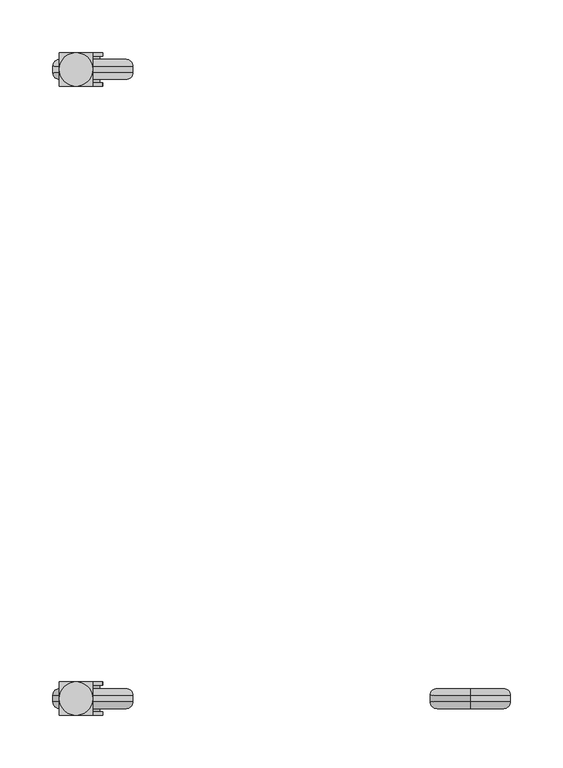
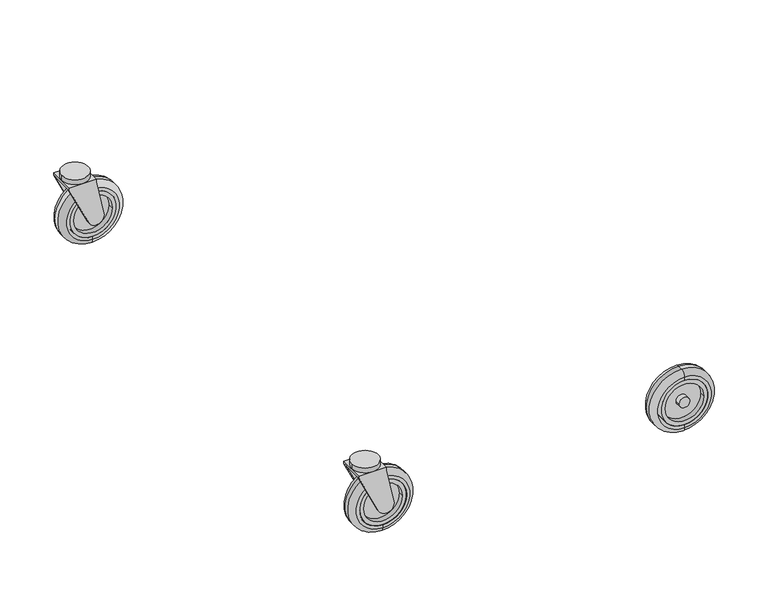
"""IFC4 building model written with IfcOpenShell, lengths in millimetres: proxy geometry."""

from ifc_helpers import new_model, si_unit, point, frame, frame_2d, origin, place, context, project, spatial, polyline, circle_curve, ellipse_curve, trimmed, segment, composite_curve, outline, extrude, source, transform, mapped, element, save
from ifc_brep_helpers import plane_surface, cylinder_surface, revolved_surface, advanced_brep


def specialty_equipment_8198a665(model_context):
    return source(origin(), model_context, "Body", "SolidModel", [
        advanced_brep(
        [(-281.9234069, -608.965, 6.35), (-281.9234069, -608.965, 69.85), (-281.9234069, -615.315, 76.2), (-281.9234069, -615.315, 0.0), (-281.9234069, -608.965, 10.16), (-281.9234069, -608.965, 66.04), (-281.9234069, -628.015, 10.16), (-281.9234069, -628.015, 66.04), (-281.9234069, -628.015, 6.35), (-281.9234069, -628.015, 69.85), (-281.9234069, -621.665, 0.0), (-281.9234069, -621.665, 76.2)],
        [
            (0, 1, circle_curve(frame((-281.9234069, -608.965, 38.1), z_axis=(0.0, -1.0, 0.0), x_axis=(0.0, 0.0, 1.0)), 31.75)),
            (1, 2, circle_curve(frame((-281.9234069, -615.315, 69.85), z_axis=(1.0, 0.0, 0.0), x_axis=(0.0, -1.0, 0.0)), 6.35)),
            (2, 3, circle_curve(frame((-281.9234069, -615.315, 38.1), z_axis=(0.0, 1.0, 0.0), x_axis=(0.0, 0.0, 1.0)), 38.1)),
            (3, 0, circle_curve(frame((-281.9234069, -615.315, 6.35), z_axis=(1.0, 0.0, 0.0), x_axis=(0.0, -1.0, 0.0)), 6.35)),
            (1, 0, circle_curve(frame((-281.9234069, -608.965, 38.1), z_axis=(0.0, -1.0, 0.0), x_axis=(0.0, 0.0, 1.0)), 31.75)),
            (3, 2, circle_curve(frame((-281.9234069, -615.315, 38.1), z_axis=(0.0, 1.0, 0.0), x_axis=(0.0, 0.0, 1.0)), 38.1)),
            (4, 5, circle_curve(frame((-281.9234069, -608.965, 38.1), z_axis=(0.0, -1.0, 0.0), x_axis=(0.0, 0.0, 1.0)), 27.94)),
            (5, 1),
            (0, 4),
            (5, 4, circle_curve(frame((-281.9234069, -608.965, 38.1), z_axis=(0.0, -1.0, 0.0), x_axis=(0.0, 0.0, 1.0)), 27.94)),
            (6, 7, circle_curve(frame((-281.9234069, -628.015, 38.1), z_axis=(0.0, -1.0, 0.0), x_axis=(0.0, 0.0, 1.0)), 27.94)),
            (7, 5),
            (4, 6),
            (7, 6, circle_curve(frame((-281.9234069, -628.015, 38.1), z_axis=(0.0, -1.0, 0.0), x_axis=(0.0, 0.0, 1.0)), 27.94)),
            (8, 9, circle_curve(frame((-281.9234069, -628.015, 38.1), z_axis=(0.0, -1.0, 0.0), x_axis=(0.0, 0.0, 1.0)), 31.75)),
            (9, 7),
            (6, 8),
            (9, 8, circle_curve(frame((-281.9234069, -628.015, 38.1), z_axis=(0.0, -1.0, 0.0), x_axis=(0.0, 0.0, 1.0)), 31.75)),
            (10, 11, circle_curve(frame((-281.9234069, -621.665, 38.1), z_axis=(0.0, -1.0, 0.0), x_axis=(0.0, 0.0, 1.0)), 38.1)),
            (11, 9, circle_curve(frame((-281.9234069, -621.665, 69.85), z_axis=(1.0, 0.0, 0.0), x_axis=(0.0, -1.0, 0.0)), 6.35)),
            (8, 10, circle_curve(frame((-281.9234069, -621.665, 6.35), z_axis=(1.0, 0.0, 0.0), x_axis=(0.0, -1.0, 0.0)), 6.35)),
            (11, 10, circle_curve(frame((-281.9234069, -621.665, 38.1), z_axis=(0.0, -1.0, 0.0), x_axis=(0.0, 0.0, 1.0)), 38.1)),
            (2, 11),
            (10, 3),
        ],
        [
            revolved_surface(trimmed(ellipse_curve(frame((-281.9234069, -615.315, 69.85), z_axis=(-1.0, 0.0, 0.0), x_axis=(0.0, -1.0, 0.0)), 6.35, 6.35), [point((-281.9234069, -615.315, 76.2))], [point((-281.9234069, -608.965, 69.85))], True, "CARTESIAN"), (-281.9234069, -596.265, 38.1), (0.0, 1.0, 0.0)),
            plane_surface(frame((-281.9234069, -608.965, 38.1), z_axis=(0.0, 1.0, 0.0), x_axis=(0.0, 0.0, 1.0))),
            revolved_surface(polyline([(-281.9234069, -608.965, 66.04), (-281.9234069, -628.015, 66.04)]), (-281.9234069, -596.265, 38.1), (0.0, 1.0, 0.0)),
            plane_surface(frame((-281.9234069, -628.015, 38.1), z_axis=(0.0, -1.0, 0.0), x_axis=(0.0, 0.0, 1.0))),
            revolved_surface(trimmed(ellipse_curve(frame((-281.9234069, -621.665, 69.85), z_axis=(-1.0, 0.0, 0.0), x_axis=(0.0, -1.0, 0.0)), 6.35, 6.35), [point((-281.9234069, -628.015, 69.85))], [point((-281.9234069, -621.665, 76.2))], True, "CARTESIAN"), (-281.9234069, -596.265, 38.1), (0.0, 1.0, 0.0)),
            cylinder_surface(frame((-281.9234069, -596.265, 38.1), z_axis=(0.0, 1.0, 0.0), x_axis=(0.0, 0.0, 1.0)), 38.1),
        ],
        [
            (0, [[1, 2, 3, 4]]),
            (0, [[5, -4, 6, -2]]),
            (1, [[7, 8, -1, 9]]),
            (1, [[10, -9, -5, -8]]),
            (2, [[11, 12, -7, 13]]),
            (2, [[14, -13, -10, -12]]),
            (3, [[15, 16, -11, 17]]),
            (3, [[18, -17, -14, -16]]),
            (4, [[19, 20, -15, 21]]),
            (4, [[22, -21, -18, -20]]),
            (5, [[-3, 23, -19, 24]]),
            (5, [[-6, -24, -22, -23]]),
        ],
    ),
        advanced_brep(
        [(-253.9834069, -608.965, 38.1), (-309.8634069, -608.965, 38.1), (-259.0634069, -608.965, 38.1), (-304.7834069, -608.965, 38.1), (-275.5734069, -608.965, 38.1), (-288.2734069, -608.965, 38.1), (-253.9834069, -615.315, 38.1), (-309.8634069, -615.315, 38.1), (-275.5734069, -615.315, 38.1), (-288.2734069, -615.315, 38.1), (-259.0634069, -615.315, 38.1), (-304.7834069, -615.315, 38.1), (-304.7834069, -621.665, 38.1), (-259.0634069, -621.665, 38.1), (-288.2734069, -621.665, 38.1), (-275.5734069, -621.665, 38.1), (-253.9834069, -621.665, 38.1), (-309.8634069, -621.665, 38.1), (-253.9834069, -628.015, 38.1), (-309.8634069, -628.015, 38.1), (-259.0634069, -628.015, 38.1), (-304.7834069, -628.015, 38.1), (-275.5734069, -628.015, 38.1), (-288.2734069, -628.015, 38.1)],
        [
            (0, 1, circle_curve(frame((-281.9234069, -608.965, 38.1), z_axis=(3.5155076160086276e-12, 1.0, 0.0), x_axis=(-1.0, 3.5155076160086276e-12, 0.0)), 27.94)),
            (1, 0, circle_curve(frame((-281.9234069, -608.965, 38.1), z_axis=(3.5155076160086276e-12, 1.0, 0.0), x_axis=(-1.0, 3.5155076160086276e-12, 0.0)), 27.94)),
            (2, 3, circle_curve(frame((-281.9234069, -608.965, 38.1), z_axis=(-3.5155076160086276e-12, -1.0, 0.0), x_axis=(-1.0, 3.5155076160086276e-12, 0.0)), 22.86)),
            (3, 2, circle_curve(frame((-281.9234069, -608.965, 38.1), z_axis=(-3.5155076160086276e-12, -1.0, 0.0), x_axis=(-1.0, 3.5155076160086276e-12, 0.0)), 22.86)),
            (4, 5, circle_curve(frame((-281.9234069, -608.965, 38.1), z_axis=(3.5155076160086276e-12, 1.0, 0.0), x_axis=(-1.0, 3.5155076160086276e-12, 0.0)), 6.35)),
            (5, 4, circle_curve(frame((-281.9234069, -608.965, 38.1), z_axis=(3.5155076160086276e-12, 1.0, 0.0), x_axis=(-1.0, 3.5155076160086276e-12, 0.0)), 6.35)),
            (0, 6),
            (6, 7, circle_curve(frame((-281.9234069, -615.315, 38.1), z_axis=(3.5155076160086276e-12, 1.0, 0.0), x_axis=(-1.0, 3.5155076160086276e-12, 0.0)), 27.94)),
            (7, 1),
            (7, 6, circle_curve(frame((-281.9234069, -615.315, 38.1), z_axis=(3.5155076160086276e-12, 1.0, 0.0), x_axis=(-1.0, 3.5155076160086276e-12, 0.0)), 27.94)),
            (4, 8),
            (8, 9, circle_curve(frame((-281.9234069, -615.315, 38.1), z_axis=(3.5155076160086276e-12, 1.0, 0.0), x_axis=(-1.0, 3.5155076160086276e-12, 0.0)), 6.35)),
            (9, 5),
            (9, 8, circle_curve(frame((-281.9234069, -615.315, 38.1), z_axis=(3.5155076160086276e-12, 1.0, 0.0), x_axis=(-1.0, 3.5155076160086276e-12, 0.0)), 6.35)),
            (2, 10),
            (10, 11, circle_curve(frame((-281.9234069, -615.315, 38.1), z_axis=(-3.5155076160086276e-12, -1.0, 0.0), x_axis=(-1.0, 3.5155076160086276e-12, 0.0)), 22.86)),
            (11, 3),
            (11, 10, circle_curve(frame((-281.9234069, -615.315, 38.1), z_axis=(-3.5155076160086276e-12, -1.0, 0.0), x_axis=(-1.0, 3.5155076160086276e-12, 0.0)), 22.86)),
            (12, 13, circle_curve(frame((-281.9234069, -621.665, 38.1), z_axis=(-3.5155076160086276e-12, -1.0, 0.0), x_axis=(-1.0, 3.5155076160086276e-12, 0.0)), 22.86)),
            (13, 12, circle_curve(frame((-281.9234069, -621.665, 38.1), z_axis=(-3.5155076160086276e-12, -1.0, 0.0), x_axis=(-1.0, 3.5155076160086276e-12, 0.0)), 22.86)),
            (14, 15, circle_curve(frame((-281.9234069, -621.665, 38.1), z_axis=(3.5155076160086276e-12, 1.0, 0.0), x_axis=(-1.0, 3.5155076160086276e-12, 0.0)), 6.35)),
            (15, 14, circle_curve(frame((-281.9234069, -621.665, 38.1), z_axis=(3.5155076160086276e-12, 1.0, 0.0), x_axis=(-1.0, 3.5155076160086276e-12, 0.0)), 6.35)),
            (6, 16),
            (16, 17, circle_curve(frame((-281.9234069, -621.665, 38.1), z_axis=(3.5155076160086276e-12, 1.0, 0.0), x_axis=(-1.0, 3.5155076160086276e-12, 0.0)), 27.94)),
            (17, 7),
            (17, 16, circle_curve(frame((-281.9234069, -621.665, 38.1), z_axis=(3.5155076160086276e-12, 1.0, 0.0), x_axis=(-1.0, 3.5155076160086276e-12, 0.0)), 27.94)),
            (18, 19, circle_curve(frame((-281.9234069, -628.015, 38.1), z_axis=(-3.5155076160086276e-12, -1.0, 0.0), x_axis=(-1.0, 3.5155076160086276e-12, 0.0)), 27.94)),
            (19, 18, circle_curve(frame((-281.9234069, -628.015, 38.1), z_axis=(-3.5155076160086276e-12, -1.0, 0.0), x_axis=(-1.0, 3.5155076160086276e-12, 0.0)), 27.94)),
            (20, 21, circle_curve(frame((-281.9234069, -628.015, 38.1), z_axis=(3.5155076160086276e-12, 1.0, 0.0), x_axis=(-1.0, 3.5155076160086276e-12, 0.0)), 22.86)),
            (21, 20, circle_curve(frame((-281.9234069, -628.015, 38.1), z_axis=(3.5155076160086276e-12, 1.0, 0.0), x_axis=(-1.0, 3.5155076160086276e-12, 0.0)), 22.86)),
            (22, 23, circle_curve(frame((-281.9234069, -628.015, 38.1), z_axis=(-3.5155076160086276e-12, -1.0, 0.0), x_axis=(-1.0, 3.5155076160086276e-12, 0.0)), 6.35)),
            (23, 22, circle_curve(frame((-281.9234069, -628.015, 38.1), z_axis=(-3.5155076160086276e-12, -1.0, 0.0), x_axis=(-1.0, 3.5155076160086276e-12, 0.0)), 6.35)),
            (18, 16),
            (17, 19),
            (22, 15),
            (14, 23),
            (20, 13),
            (12, 21),
        ],
        [
            plane_surface(frame((-309.8634069, -608.965, 38.1), z_axis=(3.5155076160086276e-12, 1.0, 0.0), x_axis=(0.0, 0.0, 1.0))),
            cylinder_surface(frame((-281.9234069, -615.315, 38.1), z_axis=(3.5155076160086276e-12, 1.0, 0.0), x_axis=(-1.0, 3.5155076160086276e-12, 0.0)), 27.94),
            cylinder_surface(frame((-281.9234069, -618.49, 38.1), z_axis=(3.5155076160086276e-12, 1.0, 0.0), x_axis=(-1.0, 3.5155076160086276e-12, 0.0)), 6.35),
            revolved_surface(polyline([(-304.78340689998885, -615.315, 38.1), (-304.7834068999665, -608.9649999998393, 38.1)]), (-281.9234069, -618.49, 38.1), (-3.5155076160086276e-12, -1.0, 0.0)),
            plane_surface(frame((-309.8634069, -615.315, 38.1), z_axis=(3.5155076160086276e-12, 1.0, 0.0), x_axis=(0.0, 0.0, 1.0))),
            plane_surface(frame((-309.8634069, -621.665, 38.1), z_axis=(-3.5155076160086276e-12, -1.0, 0.0), x_axis=(0.0, 0.0, -1.0))),
            cylinder_surface(frame((-281.9234069, -621.665, 38.1), z_axis=(3.5155076160086276e-12, 1.0, 0.0), x_axis=(-1.0, 3.5155076160086276e-12, 0.0)), 27.94),
            plane_surface(frame((-309.8634069, -628.015, 38.1), z_axis=(-3.5155076160086276e-12, -1.0, 0.0), x_axis=(0.0, 0.0, -1.0))),
            cylinder_surface(frame((-281.9234069, -621.665, 38.1), z_axis=(-3.5155076160086276e-12, -1.0, 0.0), x_axis=(-1.0, 3.5155076160086276e-12, 0.0)), 27.94),
            cylinder_surface(frame((-281.9234069, -618.49, 38.1), z_axis=(-3.5155076160086276e-12, -1.0, 0.0), x_axis=(-1.0, 3.5155076160086276e-12, 0.0)), 6.35),
            revolved_surface(polyline([(-304.78340690001113, -621.6649999998392, 38.1), (-304.78340690003347, -628.015, 38.1)]), (-281.9234069, -618.49, 38.1), (3.5155076160086276e-12, 1.0, 0.0)),
        ],
        [
            (0, [[1, 2], [3, 4]]),
            (0, [[5, 6]]),
            (1, [[-1, 7, 8, 9]]),
            (1, [[-2, -9, 10, -7]]),
            (2, [[-5, 11, 12, 13]]),
            (2, [[-6, -13, 14, -11]]),
            (3, [[-3, 15, 16, 17]]),
            (3, [[-4, -17, 18, -15]]),
            (4, [[-16, -18], [-12, -14]]),
            (5, [[19, 20], [21, 22]]),
            (6, [[23, 24, 25, -8]]),
            (6, [[-23, -10, -25, 26]]),
            (7, [[27, 28], [29, 30]]),
            (7, [[31, 32]]),
            (8, [[-27, 33, -26, 34]]),
            (8, [[-28, -34, -24, -33]]),
            (9, [[-31, 35, -21, 36]]),
            (9, [[-32, -36, -22, -35]]),
            (10, [[-29, 37, -19, 38]]),
            (10, [[-30, -38, -20, -37]]),
        ],
    ),
        advanced_brep(
        [(-272.6196629, -634.365, 40.1410714), (-281.9234069, -634.365, 82.55), (-281.9234069, -634.365, 85.725), (-313.6734069, -634.365, 85.725), (-313.6734069, -634.365, 82.55), (-290.520847, -634.365, 34.0000428), (-272.6196629, -631.19, 40.1410714), (-290.520847, -631.19, 34.0000428), (-313.6734069, -631.19, 82.55), (-281.9234069, -631.19, 82.55), (-288.2734069, -631.19, 38.1), (-275.5734069, -631.19, 38.1), (-275.5734069, -605.79, 38.1), (-288.2734069, -605.79, 38.1), (-272.6196629, -602.615, 40.1410714), (-290.520847, -602.615, 34.0000428), (-313.6734069, -602.615, 82.55), (-313.6734069, -602.615, 85.725), (-281.9234069, -602.615, 85.725), (-281.9234069, -602.615, 82.55), (-272.6196629, -605.79, 40.1410714), (-281.9234069, -605.79, 82.55), (-313.6734069, -605.79, 82.55), (-290.520847, -605.79, 34.0000428)],
        [
            (0, 1),
            (1, 2),
            (2, 3),
            (3, 4),
            (4, 5),
            (5, 0, circle_curve(frame((-281.9234069, -634.365, 38.1), z_axis=(-3.5155076160086276e-12, -1.0, 0.0), x_axis=(-1.0, 3.5155076160086276e-12, 0.0)), 9.525)),
            (6, 7, circle_curve(frame((-281.9234069, -631.19, 38.1), z_axis=(3.5155076160086276e-12, 1.0, 0.0), x_axis=(-1.0, 3.5155076160086276e-12, 0.0)), 9.525)),
            (7, 8),
            (8, 9),
            (9, 6),
            (10, 11, circle_curve(frame((-281.9234069, -631.19, 38.1), z_axis=(-3.5155076160086276e-12, -1.0, 0.0), x_axis=(-1.0, 3.5155076160086276e-12, 0.0)), 6.35)),
            (11, 10, circle_curve(frame((-281.9234069, -631.19, 38.1), z_axis=(-3.5155076160086276e-12, -1.0, 0.0), x_axis=(-1.0, 3.5155076160086276e-12, 0.0)), 6.35)),
            (0, 6),
            (9, 1),
            (4, 8),
            (7, 5),
            (12, 11),
            (10, 13),
            (13, 12, circle_curve(frame((-281.9234069, -605.79, 38.1), z_axis=(-3.5155076160086276e-12, -1.0, 0.0), x_axis=(-1.0, 3.5155076160086276e-12, 0.0)), 6.35)),
            (12, 13, circle_curve(frame((-281.9234069, -605.79, 38.1), z_axis=(-3.5155076160086276e-12, -1.0, 0.0), x_axis=(-1.0, 3.5155076160086276e-12, 0.0)), 6.35)),
            (14, 15, circle_curve(frame((-281.9234069, -602.615, 38.1), z_axis=(3.5155076160086276e-12, 1.0, 0.0), x_axis=(-1.0, 3.5155076160086276e-12, 0.0)), 9.525)),
            (15, 16),
            (16, 17),
            (17, 18),
            (18, 19),
            (19, 14),
            (20, 21),
            (21, 22),
            (22, 23),
            (23, 20, circle_curve(frame((-281.9234069, -605.79, 38.1), z_axis=(-3.5155076160086276e-12, -1.0, 0.0), x_axis=(-1.0, 3.5155076160086276e-12, 0.0)), 9.525)),
            (14, 20),
            (23, 15),
            (22, 16),
            (19, 21),
            (2, 18),
            (17, 3),
            (21, 9),
            (8, 22),
        ],
        [
            plane_surface(frame((-281.9234069, -634.365, 82.55), z_axis=(-3.5155076160086276e-12, -1.0, 0.0), x_axis=(-0.21428571428571286, 0.0, 0.9767710236555248))),
            plane_surface(frame((-281.9234069, -631.19, 82.55), z_axis=(3.5155076160086276e-12, 1.0, 0.0), x_axis=(0.21428571428571286, 0.0, -0.9767710236555248))),
            plane_surface(frame((-272.6196629, -634.365, 40.1410714), z_axis=(0.9767710236555248, -3.433954416125565e-12, 0.21428571428571286), x_axis=(3.5156186383110893e-12, 1.0, 0.0))),
            plane_surface(frame((-313.6734069, -634.365, 82.55), z_axis=(-0.9026183812343395, 3.1732620043496284e-12, -0.4304417008816649), x_axis=(3.5156186383110893e-12, 1.0, 0.0))),
            cylinder_surface(frame((-281.9234069, -631.19, 38.1), z_axis=(-3.5155076160086276e-12, -1.0, 0.0), x_axis=(-1.0, 3.5155076160086276e-12, 0.0)), 9.525),
            cylinder_surface(frame((-281.9234069, -631.19, 38.1), z_axis=(3.5155076160086276e-12, 1.0, 0.0), x_axis=(-1.0, 3.5155076160086276e-12, 0.0)), 6.35),
            plane_surface(frame((-291.4484069, -602.615, 38.1), z_axis=(3.5155076160086276e-12, 1.0, 0.0), x_axis=(0.0, 0.0, 1.0))),
            plane_surface(frame((-291.4484069, -605.79, 38.1), z_axis=(-3.5155076160086276e-12, -1.0, 0.0), x_axis=(0.0, 0.0, -1.0))),
            cylinder_surface(frame((-281.9234069, -605.79, 38.1), z_axis=(3.5155076160086276e-12, 1.0, 0.0), x_axis=(-1.0, 3.5155076160086276e-12, 0.0)), 9.525),
            plane_surface(frame((-290.520847, -602.615, 34.0000428), z_axis=(-0.9026183812343395, 3.1732620043496284e-12, -0.4304417008816649), x_axis=(-3.5156186383110893e-12, -1.0, 0.0))),
            plane_surface(frame((-281.9234069, -602.615, 82.55), z_axis=(0.9767710236555248, -3.433954416125565e-12, 0.21428571428571286), x_axis=(-3.5156186383110893e-12, -1.0, 0.0))),
            plane_surface(frame((-281.9234069, -634.365, 85.725), z_axis=(0.0, 0.0, 1.0), x_axis=(1.0, -3.5154854115481362e-12, 0.0))),
            plane_surface(frame((-281.9234069, -634.365, 82.55), z_axis=(0.0, 0.0, -1.0), x_axis=(-1.0, 3.5154854115481362e-12, 0.0))),
            plane_surface(frame((-281.9234069, -634.365, 85.725), z_axis=(1.0, -3.5155520249295372e-12, 0.0), x_axis=(0.0, 0.0, -1.0))),
            plane_surface(frame((-313.6734069, -602.615, 85.725), z_axis=(-1.0, 3.5154854115480595e-12, 0.0), x_axis=(0.0, 0.0, -1.0))),
        ],
        [
            (0, [[1, 2, 3, 4, 5, 6]]),
            (1, [[7, 8, 9, 10], [11, 12]]),
            (2, [[-1, 13, -10, 14]]),
            (3, [[-5, 15, -8, 16]]),
            (4, [[-6, -16, -7, -13]]),
            (5, [[17, -11, 18, 19]]),
            (5, [[-17, 20, -18, -12]]),
            (6, [[21, 22, 23, 24, 25, 26]]),
            (7, [[27, 28, 29, 30], [-19, -20]]),
            (8, [[-21, 31, -30, 32]]),
            (9, [[-22, -32, -29, 33]]),
            (10, [[-26, 34, -27, -31]]),
            (11, [[-3, 35, -24, 36]]),
            (12, [[37, -9, 38, -28]]),
            (13, [[-35, -2, -14, -37, -34, -25]]),
            (14, [[-36, -23, -33, -38, -15, -4]]),
        ],
    ),
        extrude(outline(composite_curve([segment(trimmed(circle_curve(frame_2d((-297.7984069, -618.49)), 15.875), [point((-281.9234069, -618.49))], [point((-313.6734069, -618.49))], False, "CARTESIAN"), True, "CONTINUOUS"), segment(trimmed(circle_curve(frame_2d((-297.7984069, -618.49)), 15.875), [point((-313.6734069, -618.49))], [point((-281.9234069, -618.49))], False, "CARTESIAN"), True, "CONTINUOUS")], self_intersect=False)), frame((0.0, 0.0, 85.725), z_axis=(0.0, 0.0, 1.0), x_axis=(1.0, 0.0, 0.0)), (0.0, 0.0, 1.0), 6.35),
        advanced_brep(
        [(-281.9234069, -31.115, 6.35), (-281.9234069, -24.765, 0.0), (-281.9234069, -24.765, 76.2), (-281.9234069, -31.115, 69.85), (-281.9234069, -31.115, 10.16), (-281.9234069, -31.115, 66.04), (-281.9234069, -12.065, 10.16), (-281.9234069, -12.065, 66.04), (-281.9234069, -12.065, 6.35), (-281.9234069, -12.065, 69.85), (-281.9234069, -18.415, 0.0), (-281.9234069, -18.415, 76.2)],
        [
            (0, 1, circle_curve(frame((-281.9234069, -24.765, 6.35), z_axis=(1.0, 0.0, 0.0), x_axis=(0.0, 1.0, 0.0)), 6.35)),
            (1, 2, circle_curve(frame((-281.9234069, -24.765, 38.1), z_axis=(0.0, -1.0, 0.0), x_axis=(0.0, 0.0, 1.0)), 38.1)),
            (2, 3, circle_curve(frame((-281.9234069, -24.765, 69.85), z_axis=(1.0, 0.0, 0.0), x_axis=(0.0, 1.0, 0.0)), 6.35)),
            (3, 0, circle_curve(frame((-281.9234069, -31.115, 38.1), z_axis=(0.0, 1.0, 0.0), x_axis=(0.0, 0.0, 1.0)), 31.75)),
            (2, 1, circle_curve(frame((-281.9234069, -24.765, 38.1), z_axis=(0.0, -1.0, 0.0), x_axis=(0.0, 0.0, 1.0)), 38.1)),
            (0, 3, circle_curve(frame((-281.9234069, -31.115, 38.1), z_axis=(0.0, 1.0, 0.0), x_axis=(0.0, 0.0, 1.0)), 31.75)),
            (4, 0),
            (3, 5),
            (5, 4, circle_curve(frame((-281.9234069, -31.115, 38.1), z_axis=(0.0, 1.0, 0.0), x_axis=(0.0, 0.0, 1.0)), 27.94)),
            (4, 5, circle_curve(frame((-281.9234069, -31.115, 38.1), z_axis=(0.0, 1.0, 0.0), x_axis=(0.0, 0.0, 1.0)), 27.94)),
            (6, 4),
            (5, 7),
            (7, 6, circle_curve(frame((-281.9234069, -12.065, 38.1), z_axis=(0.0, 1.0, 0.0), x_axis=(0.0, 0.0, 1.0)), 27.94)),
            (6, 7, circle_curve(frame((-281.9234069, -12.065, 38.1), z_axis=(0.0, 1.0, 0.0), x_axis=(0.0, 0.0, 1.0)), 27.94)),
            (8, 6),
            (7, 9),
            (9, 8, circle_curve(frame((-281.9234069, -12.065, 38.1), z_axis=(0.0, 1.0, 0.0), x_axis=(0.0, 0.0, 1.0)), 31.75)),
            (8, 9, circle_curve(frame((-281.9234069, -12.065, 38.1), z_axis=(0.0, 1.0, 0.0), x_axis=(0.0, 0.0, 1.0)), 31.75)),
            (10, 8, circle_curve(frame((-281.9234069, -18.415, 6.35), z_axis=(1.0, 0.0, 0.0), x_axis=(0.0, 1.0, 0.0)), 6.35)),
            (9, 11, circle_curve(frame((-281.9234069, -18.415, 69.85), z_axis=(1.0, 0.0, 0.0), x_axis=(0.0, 1.0, 0.0)), 6.35)),
            (11, 10, circle_curve(frame((-281.9234069, -18.415, 38.1), z_axis=(0.0, 1.0, 0.0), x_axis=(0.0, 0.0, 1.0)), 38.1)),
            (10, 11, circle_curve(frame((-281.9234069, -18.415, 38.1), z_axis=(0.0, 1.0, 0.0), x_axis=(0.0, 0.0, 1.0)), 38.1)),
            (1, 10),
            (11, 2),
        ],
        [
            revolved_surface(trimmed(ellipse_curve(frame((-281.9234069, -24.765, 69.85), z_axis=(1.0, 0.0, 0.0), x_axis=(0.0, 1.0, 0.0)), 6.35, 6.35), [point((-281.9234069, -24.765, 76.2))], [point((-281.9234069, -31.115, 69.85))], True, "CARTESIAN"), (-281.9234069, -43.815, 38.1), (0.0, -1.0, 0.0)),
            plane_surface(frame((-281.9234069, -31.115, 38.1), z_axis=(0.0, -1.0, 0.0), x_axis=(0.0, 0.0, 1.0))),
            revolved_surface(polyline([(-281.9234069, -31.115, 66.04), (-281.9234069, -12.064999999999998, 66.04)]), (-281.9234069, -43.815, 38.1), (0.0, -1.0, 0.0)),
            plane_surface(frame((-281.9234069, -12.065, 38.1), z_axis=(0.0, 1.0, 0.0), x_axis=(0.0, 0.0, 1.0))),
            revolved_surface(trimmed(ellipse_curve(frame((-281.9234069, -18.415, 69.85), z_axis=(1.0, 0.0, 0.0), x_axis=(0.0, 1.0, 0.0)), 6.35, 6.35), [point((-281.9234069, -12.065, 69.85))], [point((-281.9234069, -18.415, 76.2))], True, "CARTESIAN"), (-281.9234069, -43.815, 38.1), (0.0, -1.0, 0.0)),
            cylinder_surface(frame((-281.9234069, -43.815, 38.1), z_axis=(0.0, -1.0, 0.0), x_axis=(0.0, 0.0, 1.0)), 38.1),
        ],
        [
            (0, [[1, 2, 3, 4]]),
            (0, [[-3, 5, -1, 6]]),
            (1, [[7, -4, 8, 9]]),
            (1, [[-8, -6, -7, 10]]),
            (2, [[11, -9, 12, 13]]),
            (2, [[-12, -10, -11, 14]]),
            (3, [[15, -13, 16, 17]]),
            (3, [[-16, -14, -15, 18]]),
            (4, [[19, -17, 20, 21]]),
            (4, [[-20, -18, -19, 22]]),
            (5, [[23, -21, 24, -2]]),
            (5, [[-24, -22, -23, -5]]),
        ],
    ),
        advanced_brep(
        [(-253.9834069, -31.115, 38.1), (-309.8634069, -31.115, 38.1), (-259.0634069, -31.115, 38.1), (-304.7834069, -31.115, 38.1), (-275.5734069, -31.115, 38.1), (-288.2734069, -31.115, 38.1), (-309.8634069, -24.765, 38.1), (-253.9834069, -24.765, 38.1), (-288.2734069, -24.765, 38.1), (-275.5734069, -24.765, 38.1), (-304.7834069, -24.765, 38.1), (-259.0634069, -24.765, 38.1), (-304.7834069, -18.415, 38.1), (-259.0634069, -18.415, 38.1), (-288.2734069, -18.415, 38.1), (-275.5734069, -18.415, 38.1), (-309.8634069, -18.415, 38.1), (-253.9834069, -18.415, 38.1), (-253.9834069, -12.065, 38.1), (-309.8634069, -12.065, 38.1), (-259.0634069, -12.065, 38.1), (-304.7834069, -12.065, 38.1), (-275.5734069, -12.065, 38.1), (-288.2734069, -12.065, 38.1)],
        [
            (0, 1, circle_curve(frame((-281.9234069, -31.115, 38.1), z_axis=(3.4983263420607972e-12, -1.0, 0.0), x_axis=(-1.0, -3.4983263420607972e-12, 0.0)), 27.94)),
            (1, 0, circle_curve(frame((-281.9234069, -31.115, 38.1), z_axis=(3.4983263420607972e-12, -1.0, 0.0), x_axis=(-1.0, -3.4983263420607972e-12, 0.0)), 27.94)),
            (2, 3, circle_curve(frame((-281.9234069, -31.115, 38.1), z_axis=(-3.4983263420607972e-12, 1.0, 0.0), x_axis=(-1.0, -3.4983263420607972e-12, 0.0)), 22.86)),
            (3, 2, circle_curve(frame((-281.9234069, -31.115, 38.1), z_axis=(-3.4983263420607972e-12, 1.0, 0.0), x_axis=(-1.0, -3.4983263420607972e-12, 0.0)), 22.86)),
            (4, 5, circle_curve(frame((-281.9234069, -31.115, 38.1), z_axis=(3.4983263420607972e-12, -1.0, 0.0), x_axis=(-1.0, -3.4983263420607972e-12, 0.0)), 6.35)),
            (5, 4, circle_curve(frame((-281.9234069, -31.115, 38.1), z_axis=(3.4983263420607972e-12, -1.0, 0.0), x_axis=(-1.0, -3.4983263420607972e-12, 0.0)), 6.35)),
            (1, 6),
            (6, 7, circle_curve(frame((-281.9234069, -24.765, 38.1), z_axis=(3.4983263420607972e-12, -1.0, 0.0), x_axis=(-1.0, -3.4983263420607972e-12, 0.0)), 27.94)),
            (7, 0),
            (7, 6, circle_curve(frame((-281.9234069, -24.765, 38.1), z_axis=(3.4983263420607972e-12, -1.0, 0.0), x_axis=(-1.0, -3.4983263420607972e-12, 0.0)), 27.94)),
            (5, 8),
            (8, 9, circle_curve(frame((-281.9234069, -24.765, 38.1), z_axis=(3.4983263420607972e-12, -1.0, 0.0), x_axis=(-1.0, -3.4983263420607972e-12, 0.0)), 6.35)),
            (9, 4),
            (9, 8, circle_curve(frame((-281.9234069, -24.765, 38.1), z_axis=(3.4983263420607972e-12, -1.0, 0.0), x_axis=(-1.0, -3.4983263420607972e-12, 0.0)), 6.35)),
            (3, 10),
            (10, 11, circle_curve(frame((-281.9234069, -24.765, 38.1), z_axis=(-3.4983263420607972e-12, 1.0, 0.0), x_axis=(-1.0, -3.4983263420607972e-12, 0.0)), 22.86)),
            (11, 2),
            (11, 10, circle_curve(frame((-281.9234069, -24.765, 38.1), z_axis=(-3.4983263420607972e-12, 1.0, 0.0), x_axis=(-1.0, -3.4983263420607972e-12, 0.0)), 22.86)),
            (12, 13, circle_curve(frame((-281.9234069, -18.415, 38.1), z_axis=(-3.4983263420607972e-12, 1.0, 0.0), x_axis=(-1.0, -3.4983263420607972e-12, 0.0)), 22.86)),
            (13, 12, circle_curve(frame((-281.9234069, -18.415, 38.1), z_axis=(-3.4983263420607972e-12, 1.0, 0.0), x_axis=(-1.0, -3.4983263420607972e-12, 0.0)), 22.86)),
            (14, 15, circle_curve(frame((-281.9234069, -18.415, 38.1), z_axis=(3.4983263420607972e-12, -1.0, 0.0), x_axis=(-1.0, -3.4983263420607972e-12, 0.0)), 6.35)),
            (15, 14, circle_curve(frame((-281.9234069, -18.415, 38.1), z_axis=(3.4983263420607972e-12, -1.0, 0.0), x_axis=(-1.0, -3.4983263420607972e-12, 0.0)), 6.35)),
            (6, 16),
            (16, 17, circle_curve(frame((-281.9234069, -18.415, 38.1), z_axis=(3.4983263420607972e-12, -1.0, 0.0), x_axis=(-1.0, -3.4983263420607972e-12, 0.0)), 27.94)),
            (17, 7),
            (17, 16, circle_curve(frame((-281.9234069, -18.415, 38.1), z_axis=(3.4983263420607972e-12, -1.0, 0.0), x_axis=(-1.0, -3.4983263420607972e-12, 0.0)), 27.94)),
            (18, 19, circle_curve(frame((-281.9234069, -12.065, 38.1), z_axis=(-3.4983263420607972e-12, 1.0, 0.0), x_axis=(-1.0, -3.4983263420607972e-12, 0.0)), 27.94)),
            (19, 18, circle_curve(frame((-281.9234069, -12.065, 38.1), z_axis=(-3.4983263420607972e-12, 1.0, 0.0), x_axis=(-1.0, -3.4983263420607972e-12, 0.0)), 27.94)),
            (20, 21, circle_curve(frame((-281.9234069, -12.065, 38.1), z_axis=(3.4983263420607972e-12, -1.0, 0.0), x_axis=(-1.0, -3.4983263420607972e-12, 0.0)), 22.86)),
            (21, 20, circle_curve(frame((-281.9234069, -12.065, 38.1), z_axis=(3.4983263420607972e-12, -1.0, 0.0), x_axis=(-1.0, -3.4983263420607972e-12, 0.0)), 22.86)),
            (22, 23, circle_curve(frame((-281.9234069, -12.065, 38.1), z_axis=(-3.4983263420607972e-12, 1.0, 0.0), x_axis=(-1.0, -3.4983263420607972e-12, 0.0)), 6.35)),
            (23, 22, circle_curve(frame((-281.9234069, -12.065, 38.1), z_axis=(-3.4983263420607972e-12, 1.0, 0.0), x_axis=(-1.0, -3.4983263420607972e-12, 0.0)), 6.35)),
            (19, 16),
            (17, 18),
            (23, 14),
            (15, 22),
            (21, 12),
            (13, 20),
        ],
        [
            plane_surface(frame((-309.8634069, -31.115, 38.1), z_axis=(3.4983263420607972e-12, -1.0, 0.0), x_axis=(0.0, 0.0, 1.0))),
            cylinder_surface(frame((-281.9234069, -24.765, 38.1), z_axis=(3.4983263420607972e-12, -1.0, 0.0), x_axis=(-1.0, -3.4983263420607972e-12, 0.0)), 27.94),
            cylinder_surface(frame((-281.9234069, -21.59, 38.1), z_axis=(3.4983263420607972e-12, -1.0, 0.0), x_axis=(-1.0, -3.4983263420607972e-12, 0.0)), 6.35),
            revolved_surface(polyline([(-304.7834068999889, -24.765, 38.1), (-304.7834068999667, -31.11500000015994, 38.1)]), (-281.9234069, -21.59, 38.1), (-3.4983263420607972e-12, 1.0, 0.0)),
            plane_surface(frame((-309.8634069, -24.765, 38.1), z_axis=(3.4983263420607972e-12, -1.0, 0.0), x_axis=(0.0, 0.0, 1.0))),
            plane_surface(frame((-309.8634069, -18.415, 38.1), z_axis=(-3.4983263420607972e-12, 1.0, 0.0), x_axis=(0.0, 0.0, -1.0))),
            cylinder_surface(frame((-281.9234069, -18.415, 38.1), z_axis=(3.4983263420607972e-12, -1.0, 0.0), x_axis=(-1.0, -3.4983263420607972e-12, 0.0)), 27.94),
            plane_surface(frame((-309.8634069, -12.065, 38.1), z_axis=(-3.4983263420607972e-12, 1.0, 0.0), x_axis=(0.0, 0.0, -1.0))),
            cylinder_surface(frame((-281.9234069, -18.415, 38.1), z_axis=(-3.4983263420607972e-12, 1.0, 0.0), x_axis=(-1.0, -3.4983263420607972e-12, 0.0)), 27.94),
            cylinder_surface(frame((-281.9234069, -21.59, 38.1), z_axis=(-3.4983263420607972e-12, 1.0, 0.0), x_axis=(-1.0, -3.4983263420607972e-12, 0.0)), 6.35),
            revolved_surface(polyline([(-304.7834069000111, -18.415000000159942, 38.1), (-304.7834069000333, -12.065, 38.1)]), (-281.9234069, -21.59, 38.1), (3.4983263420607972e-12, -1.0, 0.0)),
        ],
        [
            (0, [[1, 2], [3, 4]]),
            (0, [[5, 6]]),
            (1, [[7, 8, 9, -2]]),
            (1, [[-9, 10, -7, -1]]),
            (2, [[11, 12, 13, -6]]),
            (2, [[-13, 14, -11, -5]]),
            (3, [[15, 16, 17, -4]]),
            (3, [[-17, 18, -15, -3]]),
            (4, [[-18, -16], [-14, -12]]),
            (5, [[19, 20], [21, 22]]),
            (6, [[-8, 23, 24, 25]]),
            (6, [[26, -23, -10, -25]]),
            (7, [[27, 28], [29, 30]]),
            (7, [[31, 32]]),
            (8, [[33, -26, 34, -28]]),
            (8, [[-34, -24, -33, -27]]),
            (9, [[35, -22, 36, -32]]),
            (9, [[-36, -21, -35, -31]]),
            (10, [[37, -20, 38, -30]]),
            (10, [[-38, -19, -37, -29]]),
        ],
    ),
        advanced_brep(
        [(-272.6196629, -5.715, 40.1410714), (-290.520847, -5.715, 34.0000428), (-313.6734069, -5.715, 82.55), (-313.6734069, -5.715, 85.725), (-281.9234069, -5.715, 85.725), (-281.9234069, -5.715, 82.55), (-272.6196629, -8.89, 40.1410714), (-281.9234069, -8.89, 82.55), (-313.6734069, -8.89, 82.55), (-290.520847, -8.89, 34.0000428), (-288.2734069, -8.89, 38.1), (-275.5734069, -8.89, 38.1), (-275.5734069, -34.29, 38.1), (-288.2734069, -34.29, 38.1), (-272.6196629, -37.465, 40.1410714), (-281.9234069, -37.465, 82.55), (-281.9234069, -37.465, 85.725), (-313.6734069, -37.465, 85.725), (-313.6734069, -37.465, 82.55), (-290.520847, -37.465, 34.0000428), (-272.6196629, -34.29, 40.1410714), (-290.520847, -34.29, 34.0000428), (-313.6734069, -34.29, 82.55), (-281.9234069, -34.29, 82.55)],
        [
            (0, 1, circle_curve(frame((-281.9234069, -5.715, 38.1), z_axis=(-3.4983263420607972e-12, 1.0, 0.0), x_axis=(-1.0, -3.4983263420607972e-12, 0.0)), 9.525)),
            (1, 2),
            (2, 3),
            (3, 4),
            (4, 5),
            (5, 0),
            (6, 7),
            (7, 8),
            (8, 9),
            (9, 6, circle_curve(frame((-281.9234069, -8.89, 38.1), z_axis=(3.4983263420607972e-12, -1.0, 0.0), x_axis=(-1.0, -3.4983263420607972e-12, 0.0)), 9.525)),
            (10, 11, circle_curve(frame((-281.9234069, -8.89, 38.1), z_axis=(-3.4983263420607972e-12, 1.0, 0.0), x_axis=(-1.0, -3.4983263420607972e-12, 0.0)), 6.35)),
            (11, 10, circle_curve(frame((-281.9234069, -8.89, 38.1), z_axis=(-3.4983263420607972e-12, 1.0, 0.0), x_axis=(-1.0, -3.4983263420607972e-12, 0.0)), 6.35)),
            (5, 7),
            (6, 0),
            (1, 9),
            (8, 2),
            (12, 13, circle_curve(frame((-281.9234069, -34.29, 38.1), z_axis=(-3.4983263420607972e-12, 1.0, 0.0), x_axis=(-1.0, -3.4983263420607972e-12, 0.0)), 6.35)),
            (13, 10),
            (11, 12),
            (13, 12, circle_curve(frame((-281.9234069, -34.29, 38.1), z_axis=(-3.4983263420607972e-12, 1.0, 0.0), x_axis=(-1.0, -3.4983263420607972e-12, 0.0)), 6.35)),
            (14, 15),
            (15, 16),
            (16, 17),
            (17, 18),
            (18, 19),
            (19, 14, circle_curve(frame((-281.9234069, -37.465, 38.1), z_axis=(3.4983263420607972e-12, -1.0, 0.0), x_axis=(-1.0, -3.4983263420607972e-12, 0.0)), 9.525)),
            (20, 21, circle_curve(frame((-281.9234069, -34.29, 38.1), z_axis=(-3.4983263420607972e-12, 1.0, 0.0), x_axis=(-1.0, -3.4983263420607972e-12, 0.0)), 9.525)),
            (21, 22),
            (22, 23),
            (23, 20),
            (19, 21),
            (20, 14),
            (18, 22),
            (23, 15),
            (3, 17),
            (16, 4),
            (22, 8),
            (7, 23),
        ],
        [
            plane_surface(frame((-281.9234069, -5.715, 82.55), z_axis=(-3.498326342060797e-12, 1.0, 0.0), x_axis=(-0.21428571428571286, 0.0, 0.9767710236555248))),
            plane_surface(frame((-281.9234069, -8.89, 82.55), z_axis=(3.498326342060797e-12, -1.0, 0.0), x_axis=(0.21428571428571286, 0.0, -0.9767710236555248))),
            plane_surface(frame((-272.6196629, -5.715, 40.1410714), z_axis=(0.9767710236555248, 3.4171722455838368e-12, 0.21428571428571286), x_axis=(3.498437364363259e-12, -1.0, 0.0))),
            plane_surface(frame((-313.6734069, -5.715, 82.55), z_axis=(-0.9026183812343395, -3.1577538706712937e-12, -0.4304417008816649), x_axis=(3.498437364363259e-12, -1.0, 0.0))),
            cylinder_surface(frame((-281.9234069, -8.89, 38.1), z_axis=(-3.4983263420607972e-12, 1.0, 0.0), x_axis=(-1.0, -3.4983263420607972e-12, 0.0)), 9.525),
            cylinder_surface(frame((-281.9234069, -8.89, 38.1), z_axis=(3.4983263420607972e-12, -1.0, 0.0), x_axis=(-1.0, -3.4983263420607972e-12, 0.0)), 6.35),
            plane_surface(frame((-291.4484069, -37.465, 38.1), z_axis=(3.4983263420607972e-12, -1.0, 0.0), x_axis=(0.0, 0.0, 1.0))),
            plane_surface(frame((-291.4484069, -34.29, 38.1), z_axis=(-3.4983263420607972e-12, 1.0, 0.0), x_axis=(0.0, 0.0, -1.0))),
            cylinder_surface(frame((-281.9234069, -34.29, 38.1), z_axis=(3.4983263420607972e-12, -1.0, 0.0), x_axis=(-1.0, -3.4983263420607972e-12, 0.0)), 9.525),
            plane_surface(frame((-290.520847, -37.465, 34.0000428), z_axis=(-0.9026183812343395, -3.1577538706712937e-12, -0.4304417008816649), x_axis=(-3.498437364363259e-12, 1.0, 0.0))),
            plane_surface(frame((-281.9234069, -37.465, 82.55), z_axis=(0.9767710236555248, 3.4171722455838368e-12, 0.21428571428571286), x_axis=(-3.498437364363259e-12, 1.0, 0.0))),
            plane_surface(frame((-281.9234069, -5.715, 85.725), z_axis=(0.0, 0.0, 1.0), x_axis=(1.0, 3.498304137600306e-12, 0.0))),
            plane_surface(frame((-281.9234069, -5.715, 82.55), z_axis=(0.0, 0.0, -1.0), x_axis=(-1.0, -3.498304137600306e-12, 0.0))),
            plane_surface(frame((-281.9234069, -5.715, 85.725), z_axis=(1.0, 3.498370750981707e-12, 0.0), x_axis=(0.0, 0.0, -1.0))),
            plane_surface(frame((-313.6734069, -37.465, 85.725), z_axis=(-1.0, -3.498304137600229e-12, 0.0), x_axis=(0.0, 0.0, -1.0))),
        ],
        [
            (0, [[1, 2, 3, 4, 5, 6]]),
            (1, [[7, 8, 9, 10], [11, 12]]),
            (2, [[13, -7, 14, -6]]),
            (3, [[15, -9, 16, -2]]),
            (4, [[-14, -10, -15, -1]]),
            (5, [[17, 18, -12, 19]]),
            (5, [[-11, -18, 20, -19]]),
            (6, [[21, 22, 23, 24, 25, 26]]),
            (7, [[27, 28, 29, 30], [-20, -17]]),
            (8, [[31, -27, 32, -26]]),
            (9, [[33, -28, -31, -25]]),
            (10, [[-32, -30, 34, -21]]),
            (11, [[35, -23, 36, -4]]),
            (12, [[-29, 37, -8, 38]]),
            (13, [[-22, -34, -38, -13, -5, -36]]),
            (14, [[-3, -16, -37, -33, -24, -35]]),
        ],
    ),
        extrude(outline(composite_curve([segment(trimmed(circle_curve(frame_2d((-297.7984069, -21.59)), 15.875), [point((-281.9234069, -21.59))], [point((-313.6734069, -21.59))], False, "CARTESIAN"), True, "CONTINUOUS"), segment(trimmed(circle_curve(frame_2d((-297.7984069, -21.59)), 15.875), [point((-313.6734069, -21.59))], [point((-281.9234069, -21.59))], False, "CARTESIAN"), True, "CONTINUOUS")], self_intersect=False)), frame((0.0, 0.0, 85.725), z_axis=(0.0, 0.0, 1.0), x_axis=(1.0, 0.0, 0.0)), (0.0, 0.0, 1.0), 6.35),
        advanced_brep(
        [(76.1834069, -608.965, 6.35), (76.1834069, -615.315, 0.0), (76.1834069, -615.315, 76.2), (76.1834069, -608.965, 69.85), (76.1834069, -608.965, 10.16), (76.1834069, -608.965, 66.04), (76.1834069, -628.015, 10.16), (76.1834069, -628.015, 66.04), (76.1834069, -628.015, 6.35), (76.1834069, -628.015, 69.85), (76.1834069, -621.665, 0.0), (76.1834069, -621.665, 76.2)],
        [
            (0, 1, circle_curve(frame((76.1834069, -615.315, 6.35), z_axis=(-1.0, 0.0, 0.0), x_axis=(0.0, -1.0, 0.0)), 6.35)),
            (1, 2, circle_curve(frame((76.1834069, -615.315, 38.1), z_axis=(0.0, 1.0, 0.0), x_axis=(0.0, 0.0, 1.0)), 38.1)),
            (2, 3, circle_curve(frame((76.1834069, -615.315, 69.85), z_axis=(-1.0, 0.0, 0.0), x_axis=(0.0, -1.0, 0.0)), 6.35)),
            (3, 0, circle_curve(frame((76.1834069, -608.965, 38.1), z_axis=(0.0, -1.0, 0.0), x_axis=(0.0, 0.0, 1.0)), 31.75)),
            (2, 1, circle_curve(frame((76.1834069, -615.315, 38.1), z_axis=(0.0, 1.0, 0.0), x_axis=(0.0, 0.0, 1.0)), 38.1)),
            (0, 3, circle_curve(frame((76.1834069, -608.965, 38.1), z_axis=(0.0, -1.0, 0.0), x_axis=(0.0, 0.0, 1.0)), 31.75)),
            (4, 0),
            (3, 5),
            (5, 4, circle_curve(frame((76.1834069, -608.965, 38.1), z_axis=(0.0, -1.0, 0.0), x_axis=(0.0, 0.0, 1.0)), 27.94)),
            (4, 5, circle_curve(frame((76.1834069, -608.965, 38.1), z_axis=(0.0, -1.0, 0.0), x_axis=(0.0, 0.0, 1.0)), 27.94)),
            (6, 4),
            (5, 7),
            (7, 6, circle_curve(frame((76.1834069, -628.015, 38.1), z_axis=(0.0, -1.0, 0.0), x_axis=(0.0, 0.0, 1.0)), 27.94)),
            (6, 7, circle_curve(frame((76.1834069, -628.015, 38.1), z_axis=(0.0, -1.0, 0.0), x_axis=(0.0, 0.0, 1.0)), 27.94)),
            (8, 6),
            (7, 9),
            (9, 8, circle_curve(frame((76.1834069, -628.015, 38.1), z_axis=(0.0, -1.0, 0.0), x_axis=(0.0, 0.0, 1.0)), 31.75)),
            (8, 9, circle_curve(frame((76.1834069, -628.015, 38.1), z_axis=(0.0, -1.0, 0.0), x_axis=(0.0, 0.0, 1.0)), 31.75)),
            (10, 8, circle_curve(frame((76.1834069, -621.665, 6.35), z_axis=(-1.0, 0.0, 0.0), x_axis=(0.0, -1.0, 0.0)), 6.35)),
            (9, 11, circle_curve(frame((76.1834069, -621.665, 69.85), z_axis=(-1.0, 0.0, 0.0), x_axis=(0.0, -1.0, 0.0)), 6.35)),
            (11, 10, circle_curve(frame((76.1834069, -621.665, 38.1), z_axis=(0.0, -1.0, 0.0), x_axis=(0.0, 0.0, 1.0)), 38.1)),
            (10, 11, circle_curve(frame((76.1834069, -621.665, 38.1), z_axis=(0.0, -1.0, 0.0), x_axis=(0.0, 0.0, 1.0)), 38.1)),
            (1, 10),
            (11, 2),
        ],
        [
            revolved_surface(trimmed(ellipse_curve(frame((76.1834069, -615.315, 69.85), z_axis=(-1.0, 0.0, 0.0), x_axis=(0.0, -1.0, 0.0)), 6.35, 6.35), [point((76.1834069, -615.315, 76.2))], [point((76.1834069, -608.965, 69.85))], True, "CARTESIAN"), (76.1834069, -596.265, 38.1), (0.0, 1.0, 0.0)),
            plane_surface(frame((76.1834069, -608.965, 38.1), z_axis=(0.0, 1.0, 0.0), x_axis=(0.0, 0.0, 1.0))),
            revolved_surface(polyline([(76.1834069, -608.965, 66.04), (76.1834069, -628.015, 66.04)]), (76.1834069, -596.265, 38.1), (0.0, 1.0, 0.0)),
            plane_surface(frame((76.1834069, -628.015, 38.1), z_axis=(0.0, -1.0, 0.0), x_axis=(0.0, 0.0, 1.0))),
            revolved_surface(trimmed(ellipse_curve(frame((76.1834069, -621.665, 69.85), z_axis=(-1.0, 0.0, 0.0), x_axis=(0.0, -1.0, 0.0)), 6.35, 6.35), [point((76.1834069, -628.015, 69.85))], [point((76.1834069, -621.665, 76.2))], True, "CARTESIAN"), (76.1834069, -596.265, 38.1), (0.0, 1.0, 0.0)),
            cylinder_surface(frame((76.1834069, -596.265, 38.1), z_axis=(0.0, 1.0, 0.0), x_axis=(0.0, 0.0, 1.0)), 38.1),
        ],
        [
            (0, [[1, 2, 3, 4]]),
            (0, [[-3, 5, -1, 6]]),
            (1, [[7, -4, 8, 9]]),
            (1, [[-8, -6, -7, 10]]),
            (2, [[11, -9, 12, 13]]),
            (2, [[-12, -10, -11, 14]]),
            (3, [[15, -13, 16, 17]]),
            (3, [[-16, -14, -15, 18]]),
            (4, [[19, -17, 20, 21]]),
            (4, [[-20, -18, -19, 22]]),
            (5, [[23, -21, 24, -2]]),
            (5, [[-24, -22, -23, -5]]),
        ],
    ),
        advanced_brep(
        [(48.2434069, -608.965, 38.1), (104.1234069, -608.965, 38.1), (53.3234069, -608.965, 38.1), (99.0434069, -608.965, 38.1), (69.8334069, -608.965, 38.1), (82.5334069, -608.965, 38.1), (104.1234069, -615.315, 38.1), (48.2434069, -615.315, 38.1), (82.5334069, -615.315, 38.1), (69.8334069, -615.315, 38.1), (99.0434069, -615.315, 38.1), (53.3234069, -615.315, 38.1), (99.0434069, -621.665, 38.1), (53.3234069, -621.665, 38.1), (82.5334069, -621.665, 38.1), (69.8334069, -621.665, 38.1), (104.1234069, -621.665, 38.1), (48.2434069, -621.665, 38.1), (48.2434069, -628.015, 38.1), (104.1234069, -628.015, 38.1), (53.3234069, -628.015, 38.1), (99.0434069, -628.015, 38.1), (69.8334069, -628.015, 38.1), (82.5334069, -628.015, 38.1)],
        [
            (0, 1, circle_curve(frame((76.1834069, -608.965, 38.1), z_axis=(-3.505140622195312e-12, 1.0, 0.0), x_axis=(1.0, 3.505140622195312e-12, 0.0)), 27.94)),
            (1, 0, circle_curve(frame((76.1834069, -608.965, 38.1), z_axis=(-3.505140622195312e-12, 1.0, 0.0), x_axis=(1.0, 3.505140622195312e-12, 0.0)), 27.94)),
            (2, 3, circle_curve(frame((76.1834069, -608.965, 38.1), z_axis=(3.505140622195312e-12, -1.0, 0.0), x_axis=(1.0, 3.505140622195312e-12, 0.0)), 22.86)),
            (3, 2, circle_curve(frame((76.1834069, -608.965, 38.1), z_axis=(3.505140622195312e-12, -1.0, 0.0), x_axis=(1.0, 3.505140622195312e-12, 0.0)), 22.86)),
            (4, 5, circle_curve(frame((76.1834069, -608.965, 38.1), z_axis=(-3.505140622195312e-12, 1.0, 0.0), x_axis=(1.0, 3.505140622195312e-12, 0.0)), 6.35)),
            (5, 4, circle_curve(frame((76.1834069, -608.965, 38.1), z_axis=(-3.505140622195312e-12, 1.0, 0.0), x_axis=(1.0, 3.505140622195312e-12, 0.0)), 6.35)),
            (1, 6),
            (6, 7, circle_curve(frame((76.1834069, -615.315, 38.1), z_axis=(-3.505140622195312e-12, 1.0, 0.0), x_axis=(1.0, 3.505140622195312e-12, 0.0)), 27.94)),
            (7, 0),
            (7, 6, circle_curve(frame((76.1834069, -615.315, 38.1), z_axis=(-3.505140622195312e-12, 1.0, 0.0), x_axis=(1.0, 3.505140622195312e-12, 0.0)), 27.94)),
            (5, 8),
            (8, 9, circle_curve(frame((76.1834069, -615.315, 38.1), z_axis=(-3.505140622195312e-12, 1.0, 0.0), x_axis=(1.0, 3.505140622195312e-12, 0.0)), 6.35)),
            (9, 4),
            (9, 8, circle_curve(frame((76.1834069, -615.315, 38.1), z_axis=(-3.505140622195312e-12, 1.0, 0.0), x_axis=(1.0, 3.505140622195312e-12, 0.0)), 6.35)),
            (3, 10),
            (10, 11, circle_curve(frame((76.1834069, -615.315, 38.1), z_axis=(3.505140622195312e-12, -1.0, 0.0), x_axis=(1.0, 3.505140622195312e-12, 0.0)), 22.86)),
            (11, 2),
            (11, 10, circle_curve(frame((76.1834069, -615.315, 38.1), z_axis=(3.505140622195312e-12, -1.0, 0.0), x_axis=(1.0, 3.505140622195312e-12, 0.0)), 22.86)),
            (12, 13, circle_curve(frame((76.1834069, -621.665, 38.1), z_axis=(3.505140622195312e-12, -1.0, 0.0), x_axis=(1.0, 3.505140622195312e-12, 0.0)), 22.86)),
            (13, 12, circle_curve(frame((76.1834069, -621.665, 38.1), z_axis=(3.505140622195312e-12, -1.0, 0.0), x_axis=(1.0, 3.505140622195312e-12, 0.0)), 22.86)),
            (14, 15, circle_curve(frame((76.1834069, -621.665, 38.1), z_axis=(-3.505140622195312e-12, 1.0, 0.0), x_axis=(1.0, 3.505140622195312e-12, 0.0)), 6.35)),
            (15, 14, circle_curve(frame((76.1834069, -621.665, 38.1), z_axis=(-3.505140622195312e-12, 1.0, 0.0), x_axis=(1.0, 3.505140622195312e-12, 0.0)), 6.35)),
            (6, 16),
            (16, 17, circle_curve(frame((76.1834069, -621.665, 38.1), z_axis=(-3.505140622195312e-12, 1.0, 0.0), x_axis=(1.0, 3.505140622195312e-12, 0.0)), 27.94)),
            (17, 7),
            (17, 16, circle_curve(frame((76.1834069, -621.665, 38.1), z_axis=(-3.505140622195312e-12, 1.0, 0.0), x_axis=(1.0, 3.505140622195312e-12, 0.0)), 27.94)),
            (18, 19, circle_curve(frame((76.1834069, -628.015, 38.1), z_axis=(3.505140622195312e-12, -1.0, 0.0), x_axis=(1.0, 3.505140622195312e-12, 0.0)), 27.94)),
            (19, 18, circle_curve(frame((76.1834069, -628.015, 38.1), z_axis=(3.505140622195312e-12, -1.0, 0.0), x_axis=(1.0, 3.505140622195312e-12, 0.0)), 27.94)),
            (20, 21, circle_curve(frame((76.1834069, -628.015, 38.1), z_axis=(-3.505140622195312e-12, 1.0, 0.0), x_axis=(1.0, 3.505140622195312e-12, 0.0)), 22.86)),
            (21, 20, circle_curve(frame((76.1834069, -628.015, 38.1), z_axis=(-3.505140622195312e-12, 1.0, 0.0), x_axis=(1.0, 3.505140622195312e-12, 0.0)), 22.86)),
            (22, 23, circle_curve(frame((76.1834069, -628.015, 38.1), z_axis=(3.505140622195312e-12, -1.0, 0.0), x_axis=(1.0, 3.505140622195312e-12, 0.0)), 6.35)),
            (23, 22, circle_curve(frame((76.1834069, -628.015, 38.1), z_axis=(3.505140622195312e-12, -1.0, 0.0), x_axis=(1.0, 3.505140622195312e-12, 0.0)), 6.35)),
            (19, 16),
            (17, 18),
            (23, 14),
            (15, 22),
            (21, 12),
            (13, 20),
        ],
        [
            plane_surface(frame((104.1234069, -608.965, 38.1), z_axis=(-3.505140622195312e-12, 1.0, 0.0), x_axis=(0.0, 0.0, 1.0))),
            cylinder_surface(frame((76.1834069, -615.315, 38.1), z_axis=(-3.505140622195312e-12, 1.0, 0.0), x_axis=(1.0, 3.505140622195312e-12, 0.0)), 27.94),
            cylinder_surface(frame((76.1834069, -618.49, 38.1), z_axis=(-3.505140622195312e-12, 1.0, 0.0), x_axis=(1.0, 3.505140622195312e-12, 0.0)), 6.35),
            revolved_surface(polyline([(99.04340689998887, -615.315, 38.1), (99.04340689996661, -608.9649999998397, 38.1)]), (76.1834069, -618.49, 38.1), (3.505140622195312e-12, -1.0, 0.0)),
            plane_surface(frame((104.1234069, -615.315, 38.1), z_axis=(-3.505140622195312e-12, 1.0, 0.0), x_axis=(0.0, 0.0, 1.0))),
            plane_surface(frame((104.1234069, -621.665, 38.1), z_axis=(3.505140622195312e-12, -1.0, 0.0), x_axis=(0.0, 0.0, -1.0))),
            cylinder_surface(frame((76.1834069, -621.665, 38.1), z_axis=(-3.505140622195312e-12, 1.0, 0.0), x_axis=(1.0, 3.505140622195312e-12, 0.0)), 27.94),
            plane_surface(frame((104.1234069, -628.015, 38.1), z_axis=(3.505140622195312e-12, -1.0, 0.0), x_axis=(0.0, 0.0, -1.0))),
            cylinder_surface(frame((76.1834069, -621.665, 38.1), z_axis=(3.505140622195312e-12, -1.0, 0.0), x_axis=(1.0, 3.505140622195312e-12, 0.0)), 27.94),
            cylinder_surface(frame((76.1834069, -618.49, 38.1), z_axis=(3.505140622195312e-12, -1.0, 0.0), x_axis=(1.0, 3.505140622195312e-12, 0.0)), 6.35),
            revolved_surface(polyline([(99.04340690001112, -621.6649999998397, 38.1), (99.04340690003337, -628.015, 38.1)]), (76.1834069, -618.49, 38.1), (-3.505140622195312e-12, 1.0, 0.0)),
        ],
        [
            (0, [[1, 2], [3, 4]]),
            (0, [[5, 6]]),
            (1, [[7, 8, 9, -2]]),
            (1, [[-9, 10, -7, -1]]),
            (2, [[11, 12, 13, -6]]),
            (2, [[-13, 14, -11, -5]]),
            (3, [[15, 16, 17, -4]]),
            (3, [[-17, 18, -15, -3]]),
            (4, [[-18, -16], [-14, -12]]),
            (5, [[19, 20], [21, 22]]),
            (6, [[-8, 23, 24, 25]]),
            (6, [[26, -23, -10, -25]]),
            (7, [[27, 28], [29, 30]]),
            (7, [[31, 32]]),
            (8, [[33, -26, 34, -28]]),
            (8, [[-34, -24, -33, -27]]),
            (9, [[35, -22, 36, -32]]),
            (9, [[-36, -21, -35, -31]]),
            (10, [[37, -20, 38, -30]]),
            (10, [[-38, -19, -37, -29]]),
        ],
    ),
    ])


if __name__ == "__main__":
    model = new_model("IFC4")
    model_context = context("Model", 3, world=origin())
    ifc_project = project(units=[si_unit("LENGTHUNIT", "METRE", prefix="MILLI")], contexts=[model_context])
    site = spatial("IfcSite", under=ifc_project)
    building = spatial("IfcBuilding", under=site)
    placement = place(None, origin())
    specialty_equipment_shape = specialty_equipment_8198a665(model_context)
    element("IfcBuildingElementProxy", 1, Name="Specialty Equipment", at=placement, inside=building, context=model_context, shape_type="MappedRepresentation", body=[
        mapped(specialty_equipment_shape, transform((0.0, 0.0, 0.0), x_axis=(1.0, 0.0, 0.0), y_axis=(0.0, 1.0, 0.0), z_axis=(0.0, 0.0, 1.0))),
    ])
    save(model, "model.ifc")
